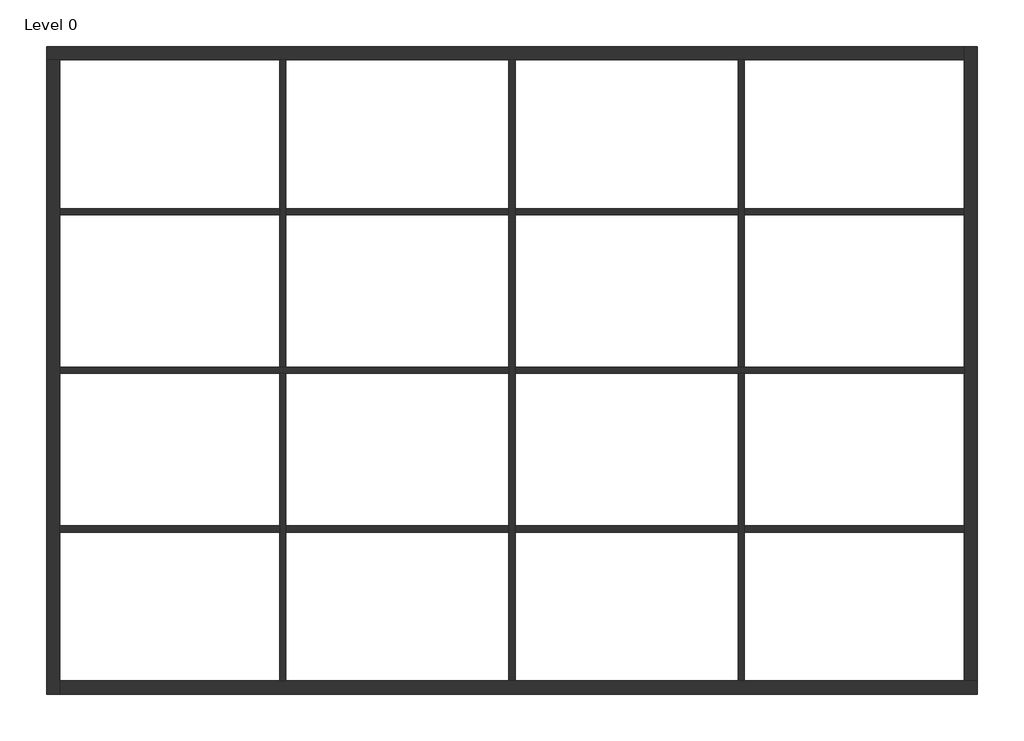
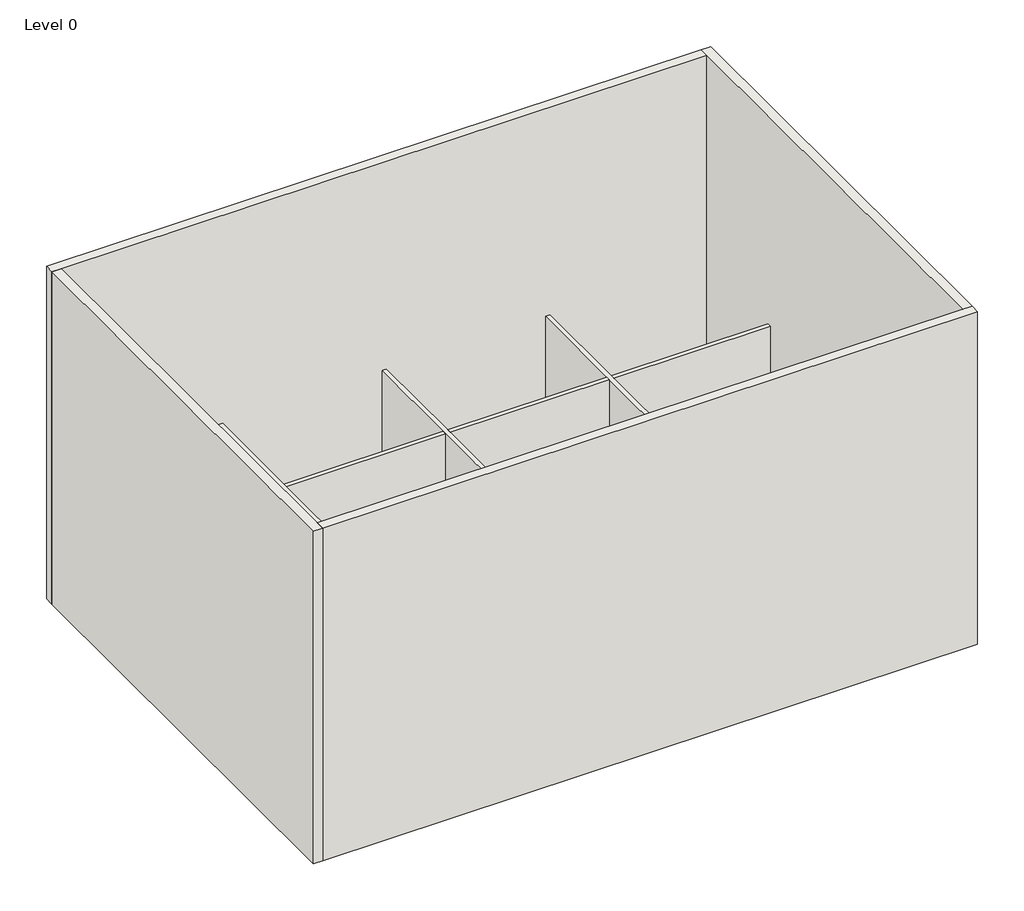
# One storey: 19 walls.
"""IFC4 building model written with IfcOpenShell, lengths in millimetres."""

from ifc_helpers import new_model, si_unit, origin, origin_with_axes, place, context, project, spatial, polyline, outline, extrude, faceted_brep, element, save

model = new_model("IFC4")

# Units and contexts
model_context = context("Model", 3, world=origin())
ifc_project = project(units=[si_unit("LENGTHUNIT", "METRE", prefix="MILLI")], contexts=[model_context])

# Site, building, storey
site = spatial("IfcSite", under=ifc_project)
building = spatial("IfcBuilding", under=site)
storey = spatial("IfcBuildingStorey", under=building, Name="Level 0", Elevation=0.0)

# Walls
placement = place(None, origin())
element("IfcWall", 1, ObjectType="Concept - Int 100mm", at=placement, inside=storey, context=model_context, shape_type="Brep", body=[
    faceted_brep([(44.6868786, 4536.8642985, 0.0), (44.6868786, 2119.3642985, 0.0), (44.6868786, 2019.3642985, 0.0), (44.6868786, -455.6357015, 0.0), (44.6868786, -555.6357015, 0.0), (44.6868786, -3030.6357015, 0.0), (44.6868786, -3130.6357015, 0.0), (44.6868786, -5548.1357015, 0.0), (44.6868786, -5548.1357015, 3000.0), (44.6868786, -3130.6357015, 3000.0), (44.6868786, -3030.6357015, 3000.0), (44.6868786, -555.6357015, 3000.0), (44.6868786, -455.6357015, 3000.0), (44.6868786, 2019.3642985, 3000.0), (44.6868786, 2119.3642985, 3000.0), (44.6868786, 4536.8642985, 3000.0), (144.6868786, 4536.8642985, 0.0), (144.6868786, 4536.8642985, 3000.0), (144.6868786, 2119.3642985, 3000.0), (144.6868786, 2019.3642985, 3000.0), (144.6868786, -455.6357015, 3000.0), (144.6868786, -555.6357015, 3000.0), (144.6868786, -3030.6357015, 3000.0), (144.6868786, -3130.6357015, 3000.0), (144.6868786, -5548.1357015, 3000.0), (144.6868786, -5548.1357015, 0.0), (144.6868786, -3130.6357015, 0.0), (144.6868786, -3030.6357015, 0.0), (144.6868786, -555.6357015, 0.0), (144.6868786, -455.6357015, 0.0), (144.6868786, 2019.3642985, 0.0), (144.6868786, 2119.3642985, 0.0)], [[[0, 1, 2, 3, 4, 5, 6, 7, 8, 9, 10, 11, 12, 13, 14, 15]], [[16, 17, 18, 19, 20, 21, 22, 23, 24, 25, 26, 27, 28, 29, 30, 31]], [[7, 6, 5, 4, 3, 2, 1, 0, 16, 31, 30, 29, 28, 27, 26, 25]], [[15, 14, 13, 12, 11, 10, 9, 8, 24, 23, 22, 21, 20, 19, 18, 17]], [[0, 15, 17, 16]], [[8, 7, 25, 24]]]),
])
element("IfcWall", 2, ObjectType="Concept - Int 100mm", at=placement, inside=storey, context=model_context, shape_type="Brep", body=[
    faceted_brep([(144.6868786, -555.6357015, 0.0), (3769.6868786, -555.6357015, 0.0), (3869.6868786, -555.6357015, 0.0), (7437.1868786, -555.6357015, 0.0), (7437.1868786, -555.6357015, 3000.0), (3869.6868786, -555.6357015, 3000.0), (3769.6868786, -555.6357015, 3000.0), (144.6868786, -555.6357015, 3000.0), (144.6868786, -455.6357015, 0.0), (144.6868786, -455.6357015, 3000.0), (3769.6868786, -455.6357015, 3000.0), (3869.6868786, -455.6357015, 3000.0), (7437.1868786, -455.6357015, 3000.0), (7437.1868786, -455.6357015, 0.0), (3869.6868786, -455.6357015, 0.0), (3769.6868786, -455.6357015, 0.0)], [[[0, 1, 2, 3, 4, 5, 6, 7]], [[8, 9, 10, 11, 12, 13, 14, 15]], [[3, 2, 1, 0, 8, 15, 14, 13]], [[7, 6, 5, 4, 12, 11, 10, 9]], [[4, 3, 13, 12]], [[0, 7, 9, 8]]]),
])
element("IfcWall", 3, ObjectType="Concept - Int 100mm", at=placement, inside=storey, context=model_context, shape_type="Brep", body=[
    faceted_brep([(44.6868786, -455.6357015, 0.0), (-3580.3131214, -455.6357015, 0.0), (-3680.3131214, -455.6357015, 0.0), (-7247.8131214, -455.6357015, 0.0), (-7247.8131214, -455.6357015, 3000.0), (-3680.3131214, -455.6357015, 3000.0), (-3580.3131214, -455.6357015, 3000.0), (44.6868786, -455.6357015, 3000.0), (44.6868786, -555.6357015, 0.0), (44.6868786, -555.6357015, 3000.0), (-3580.3131214, -555.6357015, 3000.0), (-3680.3131214, -555.6357015, 3000.0), (-7247.8131214, -555.6357015, 3000.0), (-7247.8131214, -555.6357015, 0.0), (-3680.3131214, -555.6357015, 0.0), (-3580.3131214, -555.6357015, 0.0)], [[[0, 1, 2, 3, 4, 5, 6, 7]], [[8, 9, 10, 11, 12, 13, 14, 15]], [[3, 2, 1, 0, 8, 15, 14, 13]], [[7, 6, 5, 4, 12, 11, 10, 9]], [[4, 3, 13, 12]], [[0, 7, 9, 8]]]),
])
element("IfcWall", 4, ObjectType="Concept - Int 100mm", at=placement, inside=storey, context=model_context, shape_type="Brep", body=[
    faceted_brep([(-3680.3131214, -555.6357015, 0.0), (-3680.3131214, -3030.6357015, 0.0), (-3680.3131214, -3130.6357015, 0.0), (-3680.3131214, -5548.1357015, 0.0), (-3680.3131214, -5548.1357015, 3000.0), (-3680.3131214, -3130.6357015, 3000.0), (-3680.3131214, -3030.6357015, 3000.0), (-3680.3131214, -555.6357015, 3000.0), (-3580.3131214, -555.6357015, 0.0), (-3580.3131214, -555.6357015, 3000.0), (-3580.3131214, -3030.6357015, 3000.0), (-3580.3131214, -3130.6357015, 3000.0), (-3580.3131214, -5548.1357015, 3000.0), (-3580.3131214, -5548.1357015, 0.0), (-3580.3131214, -3130.6357015, 0.0), (-3580.3131214, -3030.6357015, 0.0)], [[[0, 1, 2, 3, 4, 5, 6, 7]], [[8, 9, 10, 11, 12, 13, 14, 15]], [[3, 2, 1, 0, 8, 15, 14, 13]], [[7, 6, 5, 4, 12, 11, 10, 9]], [[4, 3, 13, 12]], [[0, 7, 9, 8]]]),
])
element("IfcWall", 5, ObjectType="Concept - Int 100mm", at=placement, inside=storey, context=model_context, shape_type="SweptSolid", body=[
    extrude(outline(polyline([(-7247.8131214, -3030.6357015), (-3680.3131214, -3030.6357015), (-3680.3131214, -3130.6357015), (-7247.8131214, -3130.6357015), (-7247.8131214, -3030.6357015)])), origin_with_axes(), (0.0, 0.0, 1.0), 3000.0),
])
element("IfcWall", 6, ObjectType="Concept - Int 100mm", at=placement, inside=storey, context=model_context, shape_type="SweptSolid", body=[
    extrude(outline(polyline([(44.6868786, -3130.6357015), (-3580.3131214, -3130.6357015), (-3580.3131214, -3030.6357015), (44.6868786, -3030.6357015), (44.6868786, -3130.6357015)])), origin_with_axes(), (0.0, 0.0, 1.0), 3000.0),
])
element("IfcWall", 7, ObjectType="Concept - Int 100mm", at=placement, inside=storey, context=model_context, shape_type="Brep", body=[
    faceted_brep([(-3580.3131214, -455.6357015, 0.0), (-3580.3131214, 2019.3642985, 0.0), (-3580.3131214, 2119.3642985, 0.0), (-3580.3131214, 4536.8642985, 0.0), (-3580.3131214, 4536.8642985, 3000.0), (-3580.3131214, 2119.3642985, 3000.0), (-3580.3131214, 2019.3642985, 3000.0), (-3580.3131214, -455.6357015, 3000.0), (-3680.3131214, -455.6357015, 0.0), (-3680.3131214, -455.6357015, 3000.0), (-3680.3131214, 2019.3642985, 3000.0), (-3680.3131214, 2119.3642985, 3000.0), (-3680.3131214, 4536.8642985, 3000.0), (-3680.3131214, 4536.8642985, 0.0), (-3680.3131214, 2119.3642985, 0.0), (-3680.3131214, 2019.3642985, 0.0)], [[[0, 1, 2, 3, 4, 5, 6, 7]], [[8, 9, 10, 11, 12, 13, 14, 15]], [[3, 2, 1, 0, 8, 15, 14, 13]], [[7, 6, 5, 4, 12, 11, 10, 9]], [[4, 3, 13, 12]], [[0, 7, 9, 8]]]),
])
element("IfcWall", 8, ObjectType="Concept - Int 100mm", at=placement, inside=storey, context=model_context, shape_type="SweptSolid", body=[
    extrude(outline(polyline([(-7247.8131214, 2119.3642985), (-3680.3131214, 2119.3642985), (-3680.3131214, 2019.3642985), (-7247.8131214, 2019.3642985), (-7247.8131214, 2119.3642985)])), origin_with_axes(), (0.0, 0.0, 1.0), 3000.0),
])
element("IfcWall", 9, ObjectType="Concept - Int 100mm", at=placement, inside=storey, context=model_context, shape_type="SweptSolid", body=[
    extrude(outline(polyline([(44.6868786, 2019.3642985), (-3580.3131214, 2019.3642985), (-3580.3131214, 2119.3642985), (44.6868786, 2119.3642985), (44.6868786, 2019.3642985)])), origin_with_axes(), (0.0, 0.0, 1.0), 3000.0),
])
element("IfcWall", 10, ObjectType="Concept - Int 100mm", at=placement, inside=storey, context=model_context, shape_type="Brep", body=[
    faceted_brep([(3769.6868786, -555.6357015, 0.0), (3769.6868786, -3030.6357015, 0.0), (3769.6868786, -3130.6357015, 0.0), (3769.6868786, -5548.1357015, 0.0), (3769.6868786, -5548.1357015, 3000.0), (3769.6868786, -3130.6357015, 3000.0), (3769.6868786, -3030.6357015, 3000.0), (3769.6868786, -555.6357015, 3000.0), (3869.6868786, -555.6357015, 0.0), (3869.6868786, -555.6357015, 3000.0), (3869.6868786, -3030.6357015, 3000.0), (3869.6868786, -3130.6357015, 3000.0), (3869.6868786, -5548.1357015, 3000.0), (3869.6868786, -5548.1357015, 0.0), (3869.6868786, -3130.6357015, 0.0), (3869.6868786, -3030.6357015, 0.0)], [[[0, 1, 2, 3, 4, 5, 6, 7]], [[8, 9, 10, 11, 12, 13, 14, 15]], [[3, 2, 1, 0, 8, 15, 14, 13]], [[7, 6, 5, 4, 12, 11, 10, 9]], [[4, 3, 13, 12]], [[0, 7, 9, 8]]]),
])
element("IfcWall", 11, ObjectType="Concept - Int 100mm", at=placement, inside=storey, context=model_context, shape_type="SweptSolid", body=[
    extrude(outline(polyline([(7437.1868786, -3130.6357015), (3869.6868786, -3130.6357015), (3869.6868786, -3030.6357015), (7437.1868786, -3030.6357015), (7437.1868786, -3130.6357015)])), origin_with_axes(), (0.0, 0.0, 1.0), 3000.0),
])
element("IfcWall", 12, ObjectType="Concept - Int 100mm", at=placement, inside=storey, context=model_context, shape_type="SweptSolid", body=[
    extrude(outline(polyline([(144.6868786, -3030.6357015), (3769.6868786, -3030.6357015), (3769.6868786, -3130.6357015), (144.6868786, -3130.6357015), (144.6868786, -3030.6357015)])), origin_with_axes(), (0.0, 0.0, 1.0), 3000.0),
])
element("IfcWall", 13, ObjectType="Concept - Int 100mm", at=placement, inside=storey, context=model_context, shape_type="Brep", body=[
    faceted_brep([(3869.6868786, -455.6357015, 0.0), (3869.6868786, 2019.3642985, 0.0), (3869.6868786, 2119.3642985, 0.0), (3869.6868786, 4536.8642985, 0.0), (3869.6868786, 4536.8642985, 3000.0), (3869.6868786, 2119.3642985, 3000.0), (3869.6868786, 2019.3642985, 3000.0), (3869.6868786, -455.6357015, 3000.0), (3769.6868786, -455.6357015, 0.0), (3769.6868786, -455.6357015, 3000.0), (3769.6868786, 2019.3642985, 3000.0), (3769.6868786, 2119.3642985, 3000.0), (3769.6868786, 4536.8642985, 3000.0), (3769.6868786, 4536.8642985, 0.0), (3769.6868786, 2119.3642985, 0.0), (3769.6868786, 2019.3642985, 0.0)], [[[0, 1, 2, 3, 4, 5, 6, 7]], [[8, 9, 10, 11, 12, 13, 14, 15]], [[3, 2, 1, 0, 8, 15, 14, 13]], [[7, 6, 5, 4, 12, 11, 10, 9]], [[4, 3, 13, 12]], [[0, 7, 9, 8]]]),
])
element("IfcWall", 14, ObjectType="Concept - Int 100mm", at=placement, inside=storey, context=model_context, shape_type="SweptSolid", body=[
    extrude(outline(polyline([(7437.1868786, 2019.3642985), (3869.6868786, 2019.3642985), (3869.6868786, 2119.3642985), (7437.1868786, 2119.3642985), (7437.1868786, 2019.3642985)])), origin_with_axes(), (0.0, 0.0, 1.0), 3000.0),
])
element("IfcWall", 15, ObjectType="Concept - Int 100mm", at=placement, inside=storey, context=model_context, shape_type="SweptSolid", body=[
    extrude(outline(polyline([(144.6868786, 2119.3642985), (3769.6868786, 2119.3642985), (3769.6868786, 2019.3642985), (144.6868786, 2019.3642985), (144.6868786, 2119.3642985)])), origin_with_axes(), (0.0, 0.0, 1.0), 3000.0),
])
element("IfcWall", 16, ObjectType="Ext - 215 - Brick", at=placement, inside=storey, context=model_context, shape_type="Brep", body=[
    faceted_brep([(-7462.8131214, 4536.8642985, 0.0), (-7247.8131214, 4536.8642985, 0.0), (-3680.3131214, 4536.8642985, 0.0), (-3580.3131214, 4536.8642985, 0.0), (44.6868786, 4536.8642985, 0.0), (144.6868786, 4536.8642985, 0.0), (3769.6868786, 4536.8642985, 0.0), (3869.6868786, 4536.8642985, 0.0), (7437.1868786, 4536.8642985, 0.0), (7437.1868786, 4536.8642985, 8000.0), (-7247.8131214, 4536.8642985, 8000.0), (-7462.8131214, 4536.8642985, 8000.0), (-7462.8131214, 4751.8642985, 0.0), (-7462.8131214, 4751.8642985, 8000.0), (7437.1868786, 4751.8642985, 8000.0), (7437.1868786, 4751.8642985, 0.0)], [[[0, 1, 2, 3, 4, 5, 6, 7, 8, 9, 10, 11]], [[12, 13, 14, 15]], [[8, 7, 6, 5, 4, 3, 2, 1, 0, 12, 15]], [[11, 10, 9, 14, 13]], [[0, 11, 13, 12]], [[9, 8, 15, 14]]]),
])
element("IfcWall", 17, ObjectType="Ext - 215 - Brick", at=placement, inside=storey, context=model_context, shape_type="Brep", body=[
    faceted_brep([(-7247.8131214, -5763.1357015, 0.0), (-7247.8131214, -5548.1357015, 0.0), (-7247.8131214, -3130.6357015, 0.0), (-7247.8131214, -3030.6357015, 0.0), (-7247.8131214, -555.6357015, 0.0), (-7247.8131214, -455.6357015, 0.0), (-7247.8131214, 2019.3642985, 0.0), (-7247.8131214, 2119.3642985, 0.0), (-7247.8131214, 4536.8642985, 0.0), (-7247.8131214, 4536.8642985, 8000.0), (-7247.8131214, -5548.1357015, 8000.0), (-7247.8131214, -5763.1357015, 8000.0), (-7462.8131214, -5763.1357015, 0.0), (-7462.8131214, -5763.1357015, 8000.0), (-7462.8131214, 4536.8642985, 8000.0), (-7462.8131214, 4536.8642985, 0.0)], [[[0, 1, 2, 3, 4, 5, 6, 7, 8, 9, 10, 11]], [[12, 13, 14, 15]], [[8, 7, 6, 5, 4, 3, 2, 1, 0, 12, 15]], [[11, 10, 9, 14, 13]], [[0, 11, 13, 12]], [[9, 8, 15, 14]]]),
])
element("IfcWall", 18, ObjectType="Ext - 215 - Brick", at=placement, inside=storey, context=model_context, shape_type="Brep", body=[
    faceted_brep([(7652.1868786, -5548.1357015, 0.0), (7437.1868786, -5548.1357015, 0.0), (3869.6868786, -5548.1357015, 0.0), (3769.6868786, -5548.1357015, 0.0), (144.6868786, -5548.1357015, 0.0), (44.6868786, -5548.1357015, 0.0), (-3580.3131214, -5548.1357015, 0.0), (-3680.3131214, -5548.1357015, 0.0), (-7247.8131214, -5548.1357015, 0.0), (-7247.8131214, -5548.1357015, 8000.0), (7437.1868786, -5548.1357015, 8000.0), (7652.1868786, -5548.1357015, 8000.0), (7652.1868786, -5763.1357015, 0.0), (7652.1868786, -5763.1357015, 8000.0), (-7247.8131214, -5763.1357015, 8000.0), (-7247.8131214, -5763.1357015, 0.0)], [[[0, 1, 2, 3, 4, 5, 6, 7, 8, 9, 10, 11]], [[12, 13, 14, 15]], [[8, 7, 6, 5, 4, 3, 2, 1, 0, 12, 15]], [[11, 10, 9, 14, 13]], [[0, 11, 13, 12]], [[9, 8, 15, 14]]]),
])
element("IfcWall", 19, ObjectType="Ext - 215 - Brick", at=placement, inside=storey, context=model_context, shape_type="Brep", body=[
    faceted_brep([(7437.1868786, 4751.8642985, 0.0), (7437.1868786, 4536.8642985, 0.0), (7437.1868786, 2119.3642985, 0.0), (7437.1868786, 2019.3642985, 0.0), (7437.1868786, -455.6357015, 0.0), (7437.1868786, -555.6357015, 0.0), (7437.1868786, -3030.6357015, 0.0), (7437.1868786, -3130.6357015, 0.0), (7437.1868786, -5548.1357015, 0.0), (7437.1868786, -5548.1357015, 8000.0), (7437.1868786, 4536.8642985, 8000.0), (7437.1868786, 4751.8642985, 8000.0), (7652.1868786, 4751.8642985, 0.0), (7652.1868786, 4751.8642985, 8000.0), (7652.1868786, -5548.1357015, 8000.0), (7652.1868786, -5548.1357015, 0.0)], [[[0, 1, 2, 3, 4, 5, 6, 7, 8, 9, 10, 11]], [[12, 13, 14, 15]], [[8, 7, 6, 5, 4, 3, 2, 1, 0, 12, 15]], [[11, 10, 9, 14, 13]], [[0, 11, 13, 12]], [[9, 8, 15, 14]]]),
])

save(model, "model.ifc")
